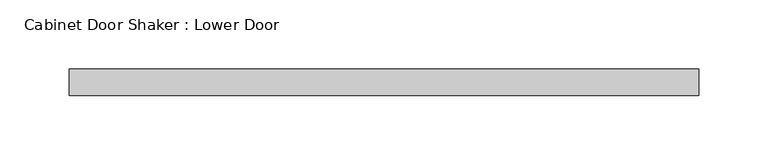
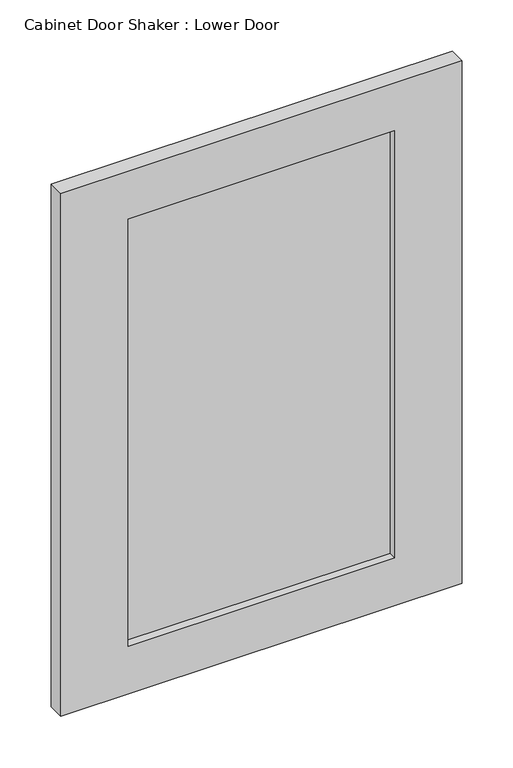
"""IFC4 building model written with IfcOpenShell, lengths in millimetres: proxy geometry, Cabinet Door Shaker : Lower Door."""

from ifc_helpers import new_model, si_unit, frame, origin, place, context, project, spatial, polyline, outline, extrude, source, transform, mapped, element, save


def cabinet_door_shaker_lower_door_3e1ee630(model_context):
    return source(origin(), model_context, "Body", "SweptSolid", [
        extrude(outline(polyline([(150.8125, -9.525), (-150.8125, -9.525), (-150.8125, 0.0), (150.8125, 0.0), (150.8125, -9.525)])), frame((0.0, 0.0, 58.7375), z_axis=(0.0, 0.0, 1.0), x_axis=(1.0, 0.0, 0.0)), (0.0, 0.0, 1.0), 511.175),
        extrude(outline(polyline([(627.0625, 227.0125), (627.0625, -227.0125), (1.5875, -227.0125), (1.5875, 227.0125), (627.0625, 227.0125)]), holes=[polyline([(58.7375, 150.8125), (58.7375, -150.8125), (569.9125, -150.8125), (569.9125, 150.8125), (58.7375, 150.8125)])]), frame((0.0, -19.05, 0.0), z_axis=(0.0, 1.0, 0.0), x_axis=(0.0, 0.0, 1.0)), (0.0, 0.0, 1.0), 19.05),
    ])


if __name__ == "__main__":
    model = new_model("IFC4")
    model_context = context("Model", 3, world=origin())
    ifc_project = project(units=[si_unit("LENGTHUNIT", "METRE", prefix="MILLI")], contexts=[model_context])
    site = spatial("IfcSite", under=ifc_project)
    building = spatial("IfcBuilding", under=site)
    placement = place(None, origin())
    cabinet_door_shaker_lower_door_shape = cabinet_door_shaker_lower_door_3e1ee630(model_context)
    element("IfcBuildingElementProxy", 1, Name="Cabinet Door Shaker : Lower Door", ObjectType="Cabinet Door Shaker : Lower Door", at=placement, inside=building, context=model_context, shape_type="MappedRepresentation", body=[
        mapped(cabinet_door_shaker_lower_door_shape, transform((0.0, 0.0, 0.0), x_axis=(1.0, 0.0, 0.0), y_axis=(0.0, 1.0, 0.0), z_axis=(0.0, 0.0, 1.0))),
    ])
    save(model, "model.ifc")
